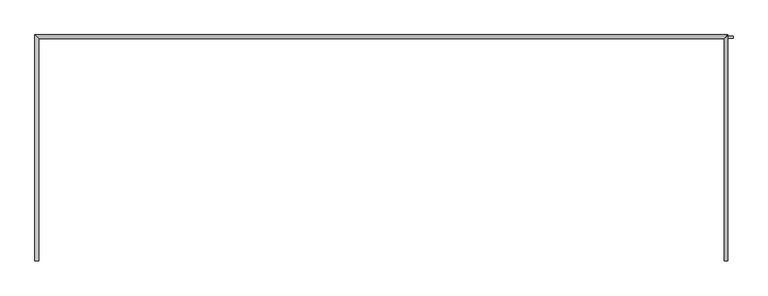
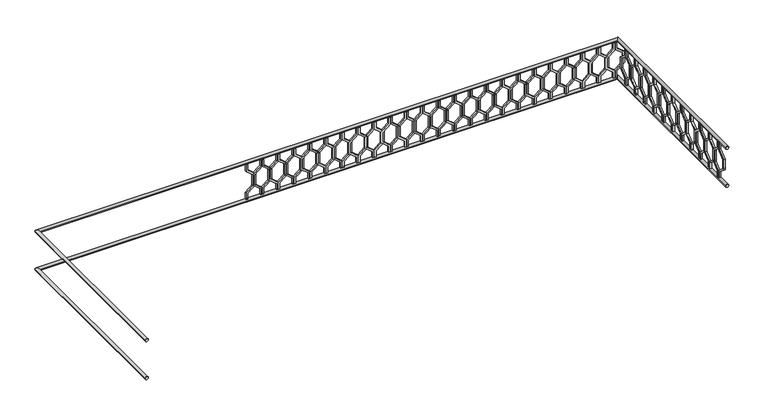
"""IFC4 building model written with IfcOpenShell, lengths in millimetres: railing geometry."""

from ifc_helpers import new_model, si_unit, frame, origin, place, context, project, spatial, polyline, circle_curve, ellipse_curve, outline, extrude, source, transform, mapped, element, save
from ifc_brep_helpers import plane_surface, cylinder_surface, advanced_brep


def railing_8e664fc3(model_context):
    return source(origin(), model_context, "Body", "SolidModel", [
        advanced_brep(
        [(42360.0112841, 903.1079487, 28680.0), (42320.0112841, 903.1079487, 28680.0), (42320.0112841, 3283.1079487, 28680.0), (42360.0112841, 3243.1079487, 28680.0), (49600.0112841, 3283.1079487, 28680.0), (49560.0112841, 3243.1079487, 28680.0), (49560.0112841, 903.1079487, 28680.0), (49600.0112841, 903.1079487, 28680.0)],
        [
            (0, 1, circle_curve(frame((42340.0112841, 903.1079487, 28680.0), z_axis=(0.0, -1.0, 0.0), x_axis=(-1.0, 0.0, 0.0)), 20.0)),
            (1, 0, circle_curve(frame((42340.0112841, 903.1079487, 28680.0), z_axis=(0.0, -1.0, 0.0), x_axis=(-1.0, 0.0, 0.0)), 20.0)),
            (1, 2),
            (2, 3, ellipse_curve(frame((42340.0112841, 3263.1079487, 28680.0), z_axis=(-0.7071067811865475, -0.7071067811865476, 0.0), x_axis=(0.7071067811865476, -0.7071067811865475, 0.0)), 28.2842712, 20.0)),
            (3, 0),
            (3, 2, ellipse_curve(frame((42340.0112841, 3263.1079487, 28680.0), z_axis=(-0.7071067811865475, -0.7071067811865476, 0.0), x_axis=(0.7071067811865476, -0.7071067811865475, 0.0)), 28.2842712, 20.0)),
            (2, 4),
            (4, 5, ellipse_curve(frame((49580.0112841, 3263.1079487, 28680.0), z_axis=(-0.7071067811865481, 0.7071067811865469, 0.0), x_axis=(-0.7071067811865469, -0.7071067811865481, 0.0)), 28.2842712, 20.0)),
            (5, 3),
            (5, 4, ellipse_curve(frame((49580.0112841, 3263.1079487, 28680.0), z_axis=(-0.7071067811865481, 0.7071067811865469, 0.0), x_axis=(-0.7071067811865469, -0.7071067811865481, 0.0)), 28.2842712, 20.0)),
            (6, 7, circle_curve(frame((49580.0112841, 903.1079487, 28680.0), z_axis=(0.0, -1.0, 0.0), x_axis=(1.0, 0.0, 0.0)), 20.0)),
            (7, 6, circle_curve(frame((49580.0112841, 903.1079487, 28680.0), z_axis=(0.0, -1.0, 0.0), x_axis=(1.0, 0.0, 0.0)), 20.0)),
            (4, 7),
            (6, 5),
        ],
        [
            plane_surface(frame((42340.0112841, 903.1079487, 28700.0), z_axis=(0.0, -1.0, 0.0), x_axis=(0.0, 0.0, 1.0))),
            cylinder_surface(frame((42340.0112841, 903.1079487, 28680.0), z_axis=(0.0, -1.0, 0.0), x_axis=(-1.0, 0.0, 0.0)), 20.0),
            cylinder_surface(frame((42340.0112841, 3263.1079487, 28680.0), z_axis=(-1.0, 0.0, 0.0), x_axis=(0.0, 1.0, 0.0)), 20.0),
            plane_surface(frame((49580.0112841, 903.1079487, 28700.0), z_axis=(0.0, -1.0, 0.0), x_axis=(0.0, 0.0, -1.0))),
            cylinder_surface(frame((49580.0112841, 3263.1079487, 28680.0), z_axis=(0.0, 1.0, 0.0), x_axis=(1.0, 0.0, 0.0)), 20.0),
        ],
        [
            (0, [[1, 2]]),
            (1, [[-2, 3, 4, 5]]),
            (1, [[-1, -5, 6, -3]]),
            (2, [[-4, 7, 8, 9]]),
            (2, [[-6, -9, 10, -7]]),
            (3, [[11, 12]]),
            (4, [[-8, 13, -11, 14]]),
            (4, [[-10, -14, -12, -13]]),
        ],
    ),
        advanced_brep(
        [(42360.0112841, 903.1079487, 28180.0), (42320.0112841, 903.1079487, 28180.0), (42320.0112841, 3283.1079487, 28180.0), (42360.0112841, 3243.1079487, 28180.0), (49600.0112841, 3283.1079487, 28180.0), (49560.0112841, 3243.1079487, 28180.0), (49560.0112841, 903.1079487, 28180.0), (49600.0112841, 903.1079487, 28180.0)],
        [
            (0, 1, circle_curve(frame((42340.0112841, 903.1079487, 28180.0), z_axis=(0.0, -1.0, 0.0), x_axis=(-1.0, 0.0, 0.0)), 20.0)),
            (1, 0, circle_curve(frame((42340.0112841, 903.1079487, 28180.0), z_axis=(0.0, -1.0, 0.0), x_axis=(-1.0, 0.0, 0.0)), 20.0)),
            (1, 2),
            (2, 3, ellipse_curve(frame((42340.0112841, 3263.1079487, 28180.0), z_axis=(-0.7071067811865475, -0.7071067811865476, 0.0), x_axis=(0.7071067811865476, -0.7071067811865475, 0.0)), 28.2842712, 20.0)),
            (3, 0),
            (3, 2, ellipse_curve(frame((42340.0112841, 3263.1079487, 28180.0), z_axis=(-0.7071067811865475, -0.7071067811865476, 0.0), x_axis=(0.7071067811865476, -0.7071067811865475, 0.0)), 28.2842712, 20.0)),
            (2, 4),
            (4, 5, ellipse_curve(frame((49580.0112841, 3263.1079487, 28180.0), z_axis=(-0.7071067811865481, 0.7071067811865469, 0.0), x_axis=(-0.7071067811865469, -0.7071067811865481, 0.0)), 28.2842712, 20.0)),
            (5, 3),
            (5, 4, ellipse_curve(frame((49580.0112841, 3263.1079487, 28180.0), z_axis=(-0.7071067811865481, 0.7071067811865469, 0.0), x_axis=(-0.7071067811865469, -0.7071067811865481, 0.0)), 28.2842712, 20.0)),
            (6, 7, circle_curve(frame((49580.0112841, 903.1079487, 28180.0), z_axis=(0.0, -1.0, 0.0), x_axis=(1.0, 0.0, 0.0)), 20.0)),
            (7, 6, circle_curve(frame((49580.0112841, 903.1079487, 28180.0), z_axis=(0.0, -1.0, 0.0), x_axis=(1.0, 0.0, 0.0)), 20.0)),
            (4, 7),
            (6, 5),
        ],
        [
            plane_surface(frame((42340.0112841, 903.1079487, 28200.0), z_axis=(0.0, -1.0, 0.0), x_axis=(0.0, 0.0, 1.0))),
            cylinder_surface(frame((42340.0112841, 903.1079487, 28180.0), z_axis=(0.0, -1.0, 0.0), x_axis=(-1.0, 0.0, 0.0)), 20.0),
            cylinder_surface(frame((42340.0112841, 3263.1079487, 28180.0), z_axis=(-1.0, 0.0, 0.0), x_axis=(0.0, 1.0, 0.0)), 20.0),
            plane_surface(frame((49580.0112841, 903.1079487, 28200.0), z_axis=(0.0, -1.0, 0.0), x_axis=(0.0, 0.0, -1.0))),
            cylinder_surface(frame((49580.0112841, 3263.1079487, 28180.0), z_axis=(0.0, 1.0, 0.0), x_axis=(1.0, 0.0, 0.0)), 20.0),
        ],
        [
            (0, [[1, 2]]),
            (1, [[-2, 3, 4, 5]]),
            (1, [[-1, -5, 6, -3]]),
            (2, [[-4, 7, 8, 9]]),
            (2, [[-6, -9, 10, -7]]),
            (3, [[11, 12]]),
            (4, [[-8, 13, -11, 14]]),
            (4, [[-10, -14, -12, -13]]),
        ],
    ),
        extrude(outline(polyline([(1068.1079487, 28660.0), (1068.1079487, 28570.448155), (969.1129993, 28490.448155), (969.1129993, 28369.551845), (1068.1079487, 28289.551845), (1068.1079487, 28200.0), (1048.1079487, 28200.0), (1048.1079487, 28280.0), (949.1129993, 28360.0), (949.1129993, 28500.0), (1048.1079487, 28580.0), (1048.1079487, 28660.0), (1068.1079487, 28660.0)])), frame((49565.0112841, 0.0, 0.0), z_axis=(1.0, 0.0, 0.0), x_axis=(0.0, 1.0, 0.0)), (0.0, 0.0, 1.0), 20.0),
        extrude(outline(polyline([(1068.1079487, 28660.0), (1088.1079487, 28660.0), (1088.1079487, 28580.0), (1187.102898, 28500.0), (1187.102898, 28360.0), (1088.1079487, 28280.0), (1088.1079487, 28200.0), (1068.1079487, 28200.0), (1068.1079487, 28289.551845), (1167.102898, 28369.551845), (1167.102898, 28490.448155), (1068.1079487, 28570.448155), (1068.1079487, 28660.0)])), frame((49565.0112841, 0.0, 0.0), z_axis=(1.0, 0.0, 0.0), x_axis=(0.0, 1.0, 0.0)), (0.0, 0.0, 1.0), 20.0),
        extrude(outline(polyline([(1268.1079487, 28660.0), (1268.1079487, 28570.448155), (1169.1129993, 28490.448155), (1169.1129993, 28369.551845), (1268.1079487, 28289.551845), (1268.1079487, 28200.0), (1248.1079487, 28200.0), (1248.1079487, 28280.0), (1149.1129993, 28360.0), (1149.1129993, 28500.0), (1248.1079487, 28580.0), (1248.1079487, 28660.0), (1268.1079487, 28660.0)])), frame((49565.0112841, 0.0, 0.0), z_axis=(1.0, 0.0, 0.0), x_axis=(0.0, 1.0, 0.0)), (0.0, 0.0, 1.0), 20.0),
        extrude(outline(polyline([(1268.1079487, 28660.0), (1288.1079487, 28660.0), (1288.1079487, 28580.0), (1387.102898, 28500.0), (1387.102898, 28360.0), (1288.1079487, 28280.0), (1288.1079487, 28200.0), (1268.1079487, 28200.0), (1268.1079487, 28289.551845), (1367.102898, 28369.551845), (1367.102898, 28490.448155), (1268.1079487, 28570.448155), (1268.1079487, 28660.0)])), frame((49565.0112841, 0.0, 0.0), z_axis=(1.0, 0.0, 0.0), x_axis=(0.0, 1.0, 0.0)), (0.0, 0.0, 1.0), 20.0),
        extrude(outline(polyline([(1468.1079487, 28660.0), (1468.1079487, 28570.448155), (1369.1129993, 28490.448155), (1369.1129993, 28369.551845), (1468.1079487, 28289.551845), (1468.1079487, 28200.0), (1448.1079487, 28200.0), (1448.1079487, 28280.0), (1349.1129993, 28360.0), (1349.1129993, 28500.0), (1448.1079487, 28580.0), (1448.1079487, 28660.0), (1468.1079487, 28660.0)])), frame((49565.0112841, 0.0, 0.0), z_axis=(1.0, 0.0, 0.0), x_axis=(0.0, 1.0, 0.0)), (0.0, 0.0, 1.0), 20.0),
        extrude(outline(polyline([(1468.1079487, 28660.0), (1488.1079487, 28660.0), (1488.1079487, 28580.0), (1587.102898, 28500.0), (1587.102898, 28360.0), (1488.1079487, 28280.0), (1488.1079487, 28200.0), (1468.1079487, 28200.0), (1468.1079487, 28289.551845), (1567.102898, 28369.551845), (1567.102898, 28490.448155), (1468.1079487, 28570.448155), (1468.1079487, 28660.0)])), frame((49565.0112841, 0.0, 0.0), z_axis=(1.0, 0.0, 0.0), x_axis=(0.0, 1.0, 0.0)), (0.0, 0.0, 1.0), 20.0),
        extrude(outline(polyline([(1668.1079487, 28660.0), (1668.1079487, 28570.448155), (1569.1129993, 28490.448155), (1569.1129993, 28369.551845), (1668.1079487, 28289.551845), (1668.1079487, 28200.0), (1648.1079487, 28200.0), (1648.1079487, 28280.0), (1549.1129993, 28360.0), (1549.1129993, 28500.0), (1648.1079487, 28580.0), (1648.1079487, 28660.0), (1668.1079487, 28660.0)])), frame((49565.0112841, 0.0, 0.0), z_axis=(1.0, 0.0, 0.0), x_axis=(0.0, 1.0, 0.0)), (0.0, 0.0, 1.0), 20.0),
        extrude(outline(polyline([(1668.1079487, 28660.0), (1688.1079487, 28660.0), (1688.1079487, 28580.0), (1787.102898, 28500.0), (1787.102898, 28360.0), (1688.1079487, 28280.0), (1688.1079487, 28200.0), (1668.1079487, 28200.0), (1668.1079487, 28289.551845), (1767.102898, 28369.551845), (1767.102898, 28490.448155), (1668.1079487, 28570.448155), (1668.1079487, 28660.0)])), frame((49565.0112841, 0.0, 0.0), z_axis=(1.0, 0.0, 0.0), x_axis=(0.0, 1.0, 0.0)), (0.0, 0.0, 1.0), 20.0),
        extrude(outline(polyline([(1868.1079487, 28660.0), (1868.1079487, 28570.448155), (1769.1129993, 28490.448155), (1769.1129993, 28369.551845), (1868.1079487, 28289.551845), (1868.1079487, 28200.0), (1848.1079487, 28200.0), (1848.1079487, 28280.0), (1749.1129993, 28360.0), (1749.1129993, 28500.0), (1848.1079487, 28580.0), (1848.1079487, 28660.0), (1868.1079487, 28660.0)])), frame((49565.0112841, 0.0, 0.0), z_axis=(1.0, 0.0, 0.0), x_axis=(0.0, 1.0, 0.0)), (0.0, 0.0, 1.0), 20.0),
        extrude(outline(polyline([(1868.1079487, 28660.0), (1888.1079487, 28660.0), (1888.1079487, 28580.0), (1987.102898, 28500.0), (1987.102898, 28360.0), (1888.1079487, 28280.0), (1888.1079487, 28200.0), (1868.1079487, 28200.0), (1868.1079487, 28289.551845), (1967.102898, 28369.551845), (1967.102898, 28490.448155), (1868.1079487, 28570.448155), (1868.1079487, 28660.0)])), frame((49565.0112841, 0.0, 0.0), z_axis=(1.0, 0.0, 0.0), x_axis=(0.0, 1.0, 0.0)), (0.0, 0.0, 1.0), 20.0),
        extrude(outline(polyline([(2068.1079487, 28660.0), (2068.1079487, 28570.448155), (1969.1129993, 28490.448155), (1969.1129993, 28369.551845), (2068.1079487, 28289.551845), (2068.1079487, 28200.0), (2048.1079487, 28200.0), (2048.1079487, 28280.0), (1949.1129993, 28360.0), (1949.1129993, 28500.0), (2048.1079487, 28580.0), (2048.1079487, 28660.0), (2068.1079487, 28660.0)])), frame((49565.0112841, 0.0, 0.0), z_axis=(1.0, 0.0, 0.0), x_axis=(0.0, 1.0, 0.0)), (0.0, 0.0, 1.0), 20.0),
        extrude(outline(polyline([(2068.1079487, 28660.0), (2088.1079487, 28660.0), (2088.1079487, 28580.0), (2187.102898, 28500.0), (2187.102898, 28360.0), (2088.1079487, 28280.0), (2088.1079487, 28200.0), (2068.1079487, 28200.0), (2068.1079487, 28289.551845), (2167.102898, 28369.551845), (2167.102898, 28490.448155), (2068.1079487, 28570.448155), (2068.1079487, 28660.0)])), frame((49565.0112841, 0.0, 0.0), z_axis=(1.0, 0.0, 0.0), x_axis=(0.0, 1.0, 0.0)), (0.0, 0.0, 1.0), 20.0),
        extrude(outline(polyline([(2268.1079487, 28660.0), (2268.1079487, 28570.448155), (2169.1129993, 28490.448155), (2169.1129993, 28369.551845), (2268.1079487, 28289.551845), (2268.1079487, 28200.0), (2248.1079487, 28200.0), (2248.1079487, 28280.0), (2149.1129993, 28360.0), (2149.1129993, 28500.0), (2248.1079487, 28580.0), (2248.1079487, 28660.0), (2268.1079487, 28660.0)])), frame((49565.0112841, 0.0, 0.0), z_axis=(1.0, 0.0, 0.0), x_axis=(0.0, 1.0, 0.0)), (0.0, 0.0, 1.0), 20.0),
        extrude(outline(polyline([(2268.1079487, 28660.0), (2288.1079487, 28660.0), (2288.1079487, 28580.0), (2387.102898, 28500.0), (2387.102898, 28360.0), (2288.1079487, 28280.0), (2288.1079487, 28200.0), (2268.1079487, 28200.0), (2268.1079487, 28289.551845), (2367.102898, 28369.551845), (2367.102898, 28490.448155), (2268.1079487, 28570.448155), (2268.1079487, 28660.0)])), frame((49565.0112841, 0.0, 0.0), z_axis=(1.0, 0.0, 0.0), x_axis=(0.0, 1.0, 0.0)), (0.0, 0.0, 1.0), 20.0),
        extrude(outline(polyline([(2468.1079487, 28660.0), (2468.1079487, 28570.448155), (2369.1129993, 28490.448155), (2369.1129993, 28369.551845), (2468.1079487, 28289.551845), (2468.1079487, 28200.0), (2448.1079487, 28200.0), (2448.1079487, 28280.0), (2349.1129993, 28360.0), (2349.1129993, 28500.0), (2448.1079487, 28580.0), (2448.1079487, 28660.0), (2468.1079487, 28660.0)])), frame((49565.0112841, 0.0, 0.0), z_axis=(1.0, 0.0, 0.0), x_axis=(0.0, 1.0, 0.0)), (0.0, 0.0, 1.0), 20.0),
        extrude(outline(polyline([(2468.1079487, 28660.0), (2488.1079487, 28660.0), (2488.1079487, 28580.0), (2587.102898, 28500.0), (2587.102898, 28360.0), (2488.1079487, 28280.0), (2488.1079487, 28200.0), (2468.1079487, 28200.0), (2468.1079487, 28289.551845), (2567.102898, 28369.551845), (2567.102898, 28490.448155), (2468.1079487, 28570.448155), (2468.1079487, 28660.0)])), frame((49565.0112841, 0.0, 0.0), z_axis=(1.0, 0.0, 0.0), x_axis=(0.0, 1.0, 0.0)), (0.0, 0.0, 1.0), 20.0),
        extrude(outline(polyline([(2668.1079487, 28660.0), (2668.1079487, 28570.448155), (2569.1129993, 28490.448155), (2569.1129993, 28369.551845), (2668.1079487, 28289.551845), (2668.1079487, 28200.0), (2648.1079487, 28200.0), (2648.1079487, 28280.0), (2549.1129993, 28360.0), (2549.1129993, 28500.0), (2648.1079487, 28580.0), (2648.1079487, 28660.0), (2668.1079487, 28660.0)])), frame((49565.0112841, 0.0, 0.0), z_axis=(1.0, 0.0, 0.0), x_axis=(0.0, 1.0, 0.0)), (0.0, 0.0, 1.0), 20.0),
        extrude(outline(polyline([(2668.1079487, 28660.0), (2688.1079487, 28660.0), (2688.1079487, 28580.0), (2787.102898, 28500.0), (2787.102898, 28360.0), (2688.1079487, 28280.0), (2688.1079487, 28200.0), (2668.1079487, 28200.0), (2668.1079487, 28289.551845), (2767.102898, 28369.551845), (2767.102898, 28490.448155), (2668.1079487, 28570.448155), (2668.1079487, 28660.0)])), frame((49565.0112841, 0.0, 0.0), z_axis=(1.0, 0.0, 0.0), x_axis=(0.0, 1.0, 0.0)), (0.0, 0.0, 1.0), 20.0),
        extrude(outline(polyline([(2868.1079487, 28660.0), (2868.1079487, 28570.448155), (2769.1129993, 28490.448155), (2769.1129993, 28369.551845), (2868.1079487, 28289.551845), (2868.1079487, 28200.0), (2848.1079487, 28200.0), (2848.1079487, 28280.0), (2749.1129993, 28360.0), (2749.1129993, 28500.0), (2848.1079487, 28580.0), (2848.1079487, 28660.0), (2868.1079487, 28660.0)])), frame((49565.0112841, 0.0, 0.0), z_axis=(1.0, 0.0, 0.0), x_axis=(0.0, 1.0, 0.0)), (0.0, 0.0, 1.0), 20.0),
        extrude(outline(polyline([(2868.1079487, 28660.0), (2888.1079487, 28660.0), (2888.1079487, 28580.0), (2987.102898, 28500.0), (2987.102898, 28360.0), (2888.1079487, 28280.0), (2888.1079487, 28200.0), (2868.1079487, 28200.0), (2868.1079487, 28289.551845), (2967.102898, 28369.551845), (2967.102898, 28490.448155), (2868.1079487, 28570.448155), (2868.1079487, 28660.0)])), frame((49565.0112841, 0.0, 0.0), z_axis=(1.0, 0.0, 0.0), x_axis=(0.0, 1.0, 0.0)), (0.0, 0.0, 1.0), 20.0),
        extrude(outline(polyline([(3068.1079487, 28660.0), (3068.1079487, 28570.448155), (2969.1129993, 28490.448155), (2969.1129993, 28369.551845), (3068.1079487, 28289.551845), (3068.1079487, 28200.0), (3048.1079487, 28200.0), (3048.1079487, 28280.0), (2949.1129993, 28360.0), (2949.1129993, 28500.0), (3048.1079487, 28580.0), (3048.1079487, 28660.0), (3068.1079487, 28660.0)])), frame((49565.0112841, 0.0, 0.0), z_axis=(1.0, 0.0, 0.0), x_axis=(0.0, 1.0, 0.0)), (0.0, 0.0, 1.0), 20.0),
        extrude(outline(polyline([(3068.1079487, 28660.0), (3088.1079487, 28660.0), (3088.1079487, 28580.0), (3187.102898, 28500.0), (3187.102898, 28360.0), (3088.1079487, 28280.0), (3088.1079487, 28200.0), (3068.1079487, 28200.0), (3068.1079487, 28289.551845), (3167.102898, 28369.551845), (3167.102898, 28490.448155), (3068.1079487, 28570.448155), (3068.1079487, 28660.0)])), frame((49565.0112841, 0.0, 0.0), z_axis=(1.0, 0.0, 0.0), x_axis=(0.0, 1.0, 0.0)), (0.0, 0.0, 1.0), 20.0),
        extrude(outline(polyline([(28660.0, 49535.0112841), (28570.448155, 49535.0112841), (28490.448155, 49634.0062335), (28369.551845, 49634.0062335), (28289.551845, 49535.0112841), (28200.0, 49535.0112841), (28200.0, 49555.0112841), (28280.0, 49555.0112841), (28360.0, 49654.0062335), (28500.0, 49654.0062335), (28580.0, 49555.0112841), (28660.0, 49555.0112841), (28660.0, 49535.0112841)])), frame((0.0, 3248.1079487, 0.0), z_axis=(0.0, 1.0, 0.0), x_axis=(0.0, 0.0, 1.0)), (0.0, 0.0, 1.0), 20.0),
        extrude(outline(polyline([(28660.0, 49535.0112841), (28660.0, 49515.0112841), (28580.0, 49515.0112841), (28500.0, 49416.0163347), (28360.0, 49416.0163347), (28280.0, 49515.0112841), (28200.0, 49515.0112841), (28200.0, 49535.0112841), (28289.551845, 49535.0112841), (28369.551845, 49436.0163347), (28490.448155, 49436.0163347), (28570.448155, 49535.0112841), (28660.0, 49535.0112841)])), frame((0.0, 3248.1079487, 0.0), z_axis=(0.0, 1.0, 0.0), x_axis=(0.0, 0.0, 1.0)), (0.0, 0.0, 1.0), 20.0),
        extrude(outline(polyline([(28660.0, 49335.0112841), (28570.448155, 49335.0112841), (28490.448155, 49434.0062335), (28369.551845, 49434.0062335), (28289.551845, 49335.0112841), (28200.0, 49335.0112841), (28200.0, 49355.0112841), (28280.0, 49355.0112841), (28360.0, 49454.0062335), (28500.0, 49454.0062335), (28580.0, 49355.0112841), (28660.0, 49355.0112841), (28660.0, 49335.0112841)])), frame((0.0, 3248.1079487, 0.0), z_axis=(0.0, 1.0, 0.0), x_axis=(0.0, 0.0, 1.0)), (0.0, 0.0, 1.0), 20.0),
        extrude(outline(polyline([(28660.0, 49335.0112841), (28660.0, 49315.0112841), (28580.0, 49315.0112841), (28500.0, 49216.0163347), (28360.0, 49216.0163347), (28280.0, 49315.0112841), (28200.0, 49315.0112841), (28200.0, 49335.0112841), (28289.551845, 49335.0112841), (28369.551845, 49236.0163347), (28490.448155, 49236.0163347), (28570.448155, 49335.0112841), (28660.0, 49335.0112841)])), frame((0.0, 3248.1079487, 0.0), z_axis=(0.0, 1.0, 0.0), x_axis=(0.0, 0.0, 1.0)), (0.0, 0.0, 1.0), 20.0),
        extrude(outline(polyline([(28660.0, 49135.0112841), (28570.448155, 49135.0112841), (28490.448155, 49234.0062335), (28369.551845, 49234.0062335), (28289.551845, 49135.0112841), (28200.0, 49135.0112841), (28200.0, 49155.0112841), (28280.0, 49155.0112841), (28360.0, 49254.0062335), (28500.0, 49254.0062335), (28580.0, 49155.0112841), (28660.0, 49155.0112841), (28660.0, 49135.0112841)])), frame((0.0, 3248.1079487, 0.0), z_axis=(0.0, 1.0, 0.0), x_axis=(0.0, 0.0, 1.0)), (0.0, 0.0, 1.0), 20.0),
        extrude(outline(polyline([(28660.0, 49135.0112841), (28660.0, 49115.0112841), (28580.0, 49115.0112841), (28500.0, 49016.0163347), (28360.0, 49016.0163347), (28280.0, 49115.0112841), (28200.0, 49115.0112841), (28200.0, 49135.0112841), (28289.551845, 49135.0112841), (28369.551845, 49036.0163347), (28490.448155, 49036.0163347), (28570.448155, 49135.0112841), (28660.0, 49135.0112841)])), frame((0.0, 3248.1079487, 0.0), z_axis=(0.0, 1.0, 0.0), x_axis=(0.0, 0.0, 1.0)), (0.0, 0.0, 1.0), 20.0),
        extrude(outline(polyline([(28660.0, 48935.0112841), (28570.448155, 48935.0112841), (28490.448155, 49034.0062335), (28369.551845, 49034.0062335), (28289.551845, 48935.0112841), (28200.0, 48935.0112841), (28200.0, 48955.0112841), (28280.0, 48955.0112841), (28360.0, 49054.0062335), (28500.0, 49054.0062335), (28580.0, 48955.0112841), (28660.0, 48955.0112841), (28660.0, 48935.0112841)])), frame((0.0, 3248.1079487, 0.0), z_axis=(0.0, 1.0, 0.0), x_axis=(0.0, 0.0, 1.0)), (0.0, 0.0, 1.0), 20.0),
        extrude(outline(polyline([(28660.0, 48935.0112841), (28660.0, 48915.0112841), (28580.0, 48915.0112841), (28500.0, 48816.0163347), (28360.0, 48816.0163347), (28280.0, 48915.0112841), (28200.0, 48915.0112841), (28200.0, 48935.0112841), (28289.551845, 48935.0112841), (28369.551845, 48836.0163347), (28490.448155, 48836.0163347), (28570.448155, 48935.0112841), (28660.0, 48935.0112841)])), frame((0.0, 3248.1079487, 0.0), z_axis=(0.0, 1.0, 0.0), x_axis=(0.0, 0.0, 1.0)), (0.0, 0.0, 1.0), 20.0),
        extrude(outline(polyline([(28660.0, 48735.0112841), (28570.448155, 48735.0112841), (28490.448155, 48834.0062335), (28369.551845, 48834.0062335), (28289.551845, 48735.0112841), (28200.0, 48735.0112841), (28200.0, 48755.0112841), (28280.0, 48755.0112841), (28360.0, 48854.0062335), (28500.0, 48854.0062335), (28580.0, 48755.0112841), (28660.0, 48755.0112841), (28660.0, 48735.0112841)])), frame((0.0, 3248.1079487, 0.0), z_axis=(0.0, 1.0, 0.0), x_axis=(0.0, 0.0, 1.0)), (0.0, 0.0, 1.0), 20.0),
        extrude(outline(polyline([(28660.0, 48735.0112841), (28660.0, 48715.0112841), (28580.0, 48715.0112841), (28500.0, 48616.0163347), (28360.0, 48616.0163347), (28280.0, 48715.0112841), (28200.0, 48715.0112841), (28200.0, 48735.0112841), (28289.551845, 48735.0112841), (28369.551845, 48636.0163347), (28490.448155, 48636.0163347), (28570.448155, 48735.0112841), (28660.0, 48735.0112841)])), frame((0.0, 3248.1079487, 0.0), z_axis=(0.0, 1.0, 0.0), x_axis=(0.0, 0.0, 1.0)), (0.0, 0.0, 1.0), 20.0),
        extrude(outline(polyline([(28660.0, 48535.0112841), (28570.448155, 48535.0112841), (28490.448155, 48634.0062335), (28369.551845, 48634.0062335), (28289.551845, 48535.0112841), (28200.0, 48535.0112841), (28200.0, 48555.0112841), (28280.0, 48555.0112841), (28360.0, 48654.0062335), (28500.0, 48654.0062335), (28580.0, 48555.0112841), (28660.0, 48555.0112841), (28660.0, 48535.0112841)])), frame((0.0, 3248.1079487, 0.0), z_axis=(0.0, 1.0, 0.0), x_axis=(0.0, 0.0, 1.0)), (0.0, 0.0, 1.0), 20.0),
        extrude(outline(polyline([(28660.0, 48535.0112841), (28660.0, 48515.0112841), (28580.0, 48515.0112841), (28500.0, 48416.0163347), (28360.0, 48416.0163347), (28280.0, 48515.0112841), (28200.0, 48515.0112841), (28200.0, 48535.0112841), (28289.551845, 48535.0112841), (28369.551845, 48436.0163347), (28490.448155, 48436.0163347), (28570.448155, 48535.0112841), (28660.0, 48535.0112841)])), frame((0.0, 3248.1079487, 0.0), z_axis=(0.0, 1.0, 0.0), x_axis=(0.0, 0.0, 1.0)), (0.0, 0.0, 1.0), 20.0),
        extrude(outline(polyline([(28660.0, 48335.0112841), (28570.448155, 48335.0112841), (28490.448155, 48434.0062335), (28369.551845, 48434.0062335), (28289.551845, 48335.0112841), (28200.0, 48335.0112841), (28200.0, 48355.0112841), (28280.0, 48355.0112841), (28360.0, 48454.0062335), (28500.0, 48454.0062335), (28580.0, 48355.0112841), (28660.0, 48355.0112841), (28660.0, 48335.0112841)])), frame((0.0, 3248.1079487, 0.0), z_axis=(0.0, 1.0, 0.0), x_axis=(0.0, 0.0, 1.0)), (0.0, 0.0, 1.0), 20.0),
        extrude(outline(polyline([(28660.0, 48335.0112841), (28660.0, 48315.0112841), (28580.0, 48315.0112841), (28500.0, 48216.0163347), (28360.0, 48216.0163347), (28280.0, 48315.0112841), (28200.0, 48315.0112841), (28200.0, 48335.0112841), (28289.551845, 48335.0112841), (28369.551845, 48236.0163347), (28490.448155, 48236.0163347), (28570.448155, 48335.0112841), (28660.0, 48335.0112841)])), frame((0.0, 3248.1079487, 0.0), z_axis=(0.0, 1.0, 0.0), x_axis=(0.0, 0.0, 1.0)), (0.0, 0.0, 1.0), 20.0),
        extrude(outline(polyline([(28660.0, 48135.0112841), (28570.448155, 48135.0112841), (28490.448155, 48234.0062335), (28369.551845, 48234.0062335), (28289.551845, 48135.0112841), (28200.0, 48135.0112841), (28200.0, 48155.0112841), (28280.0, 48155.0112841), (28360.0, 48254.0062335), (28500.0, 48254.0062335), (28580.0, 48155.0112841), (28660.0, 48155.0112841), (28660.0, 48135.0112841)])), frame((0.0, 3248.1079487, 0.0), z_axis=(0.0, 1.0, 0.0), x_axis=(0.0, 0.0, 1.0)), (0.0, 0.0, 1.0), 20.0),
        extrude(outline(polyline([(28660.0, 48135.0112841), (28660.0, 48115.0112841), (28580.0, 48115.0112841), (28500.0, 48016.0163347), (28360.0, 48016.0163347), (28280.0, 48115.0112841), (28200.0, 48115.0112841), (28200.0, 48135.0112841), (28289.551845, 48135.0112841), (28369.551845, 48036.0163347), (28490.448155, 48036.0163347), (28570.448155, 48135.0112841), (28660.0, 48135.0112841)])), frame((0.0, 3248.1079487, 0.0), z_axis=(0.0, 1.0, 0.0), x_axis=(0.0, 0.0, 1.0)), (0.0, 0.0, 1.0), 20.0),
        extrude(outline(polyline([(28660.0, 47935.0112841), (28570.448155, 47935.0112841), (28490.448155, 48034.0062335), (28369.551845, 48034.0062335), (28289.551845, 47935.0112841), (28200.0, 47935.0112841), (28200.0, 47955.0112841), (28280.0, 47955.0112841), (28360.0, 48054.0062335), (28500.0, 48054.0062335), (28580.0, 47955.0112841), (28660.0, 47955.0112841), (28660.0, 47935.0112841)])), frame((0.0, 3248.1079487, 0.0), z_axis=(0.0, 1.0, 0.0), x_axis=(0.0, 0.0, 1.0)), (0.0, 0.0, 1.0), 20.0),
        extrude(outline(polyline([(28660.0, 47935.0112841), (28660.0, 47915.0112841), (28580.0, 47915.0112841), (28500.0, 47816.0163347), (28360.0, 47816.0163347), (28280.0, 47915.0112841), (28200.0, 47915.0112841), (28200.0, 47935.0112841), (28289.551845, 47935.0112841), (28369.551845, 47836.0163347), (28490.448155, 47836.0163347), (28570.448155, 47935.0112841), (28660.0, 47935.0112841)])), frame((0.0, 3248.1079487, 0.0), z_axis=(0.0, 1.0, 0.0), x_axis=(0.0, 0.0, 1.0)), (0.0, 0.0, 1.0), 20.0),
        extrude(outline(polyline([(28660.0, 47735.0112841), (28570.448155, 47735.0112841), (28490.448155, 47834.0062335), (28369.551845, 47834.0062335), (28289.551845, 47735.0112841), (28200.0, 47735.0112841), (28200.0, 47755.0112841), (28280.0, 47755.0112841), (28360.0, 47854.0062335), (28500.0, 47854.0062335), (28580.0, 47755.0112841), (28660.0, 47755.0112841), (28660.0, 47735.0112841)])), frame((0.0, 3248.1079487, 0.0), z_axis=(0.0, 1.0, 0.0), x_axis=(0.0, 0.0, 1.0)), (0.0, 0.0, 1.0), 20.0),
        extrude(outline(polyline([(28660.0, 47735.0112841), (28660.0, 47715.0112841), (28580.0, 47715.0112841), (28500.0, 47616.0163347), (28360.0, 47616.0163347), (28280.0, 47715.0112841), (28200.0, 47715.0112841), (28200.0, 47735.0112841), (28289.551845, 47735.0112841), (28369.551845, 47636.0163347), (28490.448155, 47636.0163347), (28570.448155, 47735.0112841), (28660.0, 47735.0112841)])), frame((0.0, 3248.1079487, 0.0), z_axis=(0.0, 1.0, 0.0), x_axis=(0.0, 0.0, 1.0)), (0.0, 0.0, 1.0), 20.0),
        extrude(outline(polyline([(28660.0, 47535.0112841), (28570.448155, 47535.0112841), (28490.448155, 47634.0062335), (28369.551845, 47634.0062335), (28289.551845, 47535.0112841), (28200.0, 47535.0112841), (28200.0, 47555.0112841), (28280.0, 47555.0112841), (28360.0, 47654.0062335), (28500.0, 47654.0062335), (28580.0, 47555.0112841), (28660.0, 47555.0112841), (28660.0, 47535.0112841)])), frame((0.0, 3248.1079487, 0.0), z_axis=(0.0, 1.0, 0.0), x_axis=(0.0, 0.0, 1.0)), (0.0, 0.0, 1.0), 20.0),
        extrude(outline(polyline([(28660.0, 47535.0112841), (28660.0, 47515.0112841), (28580.0, 47515.0112841), (28500.0, 47416.0163347), (28360.0, 47416.0163347), (28280.0, 47515.0112841), (28200.0, 47515.0112841), (28200.0, 47535.0112841), (28289.551845, 47535.0112841), (28369.551845, 47436.0163347), (28490.448155, 47436.0163347), (28570.448155, 47535.0112841), (28660.0, 47535.0112841)])), frame((0.0, 3248.1079487, 0.0), z_axis=(0.0, 1.0, 0.0), x_axis=(0.0, 0.0, 1.0)), (0.0, 0.0, 1.0), 20.0),
        extrude(outline(polyline([(28660.0, 47335.0112841), (28570.448155, 47335.0112841), (28490.448155, 47434.0062335), (28369.551845, 47434.0062335), (28289.551845, 47335.0112841), (28200.0, 47335.0112841), (28200.0, 47355.0112841), (28280.0, 47355.0112841), (28360.0, 47454.0062335), (28500.0, 47454.0062335), (28580.0, 47355.0112841), (28660.0, 47355.0112841), (28660.0, 47335.0112841)])), frame((0.0, 3248.1079487, 0.0), z_axis=(0.0, 1.0, 0.0), x_axis=(0.0, 0.0, 1.0)), (0.0, 0.0, 1.0), 20.0),
        extrude(outline(polyline([(28660.0, 47335.0112841), (28660.0, 47315.0112841), (28580.0, 47315.0112841), (28500.0, 47216.0163347), (28360.0, 47216.0163347), (28280.0, 47315.0112841), (28200.0, 47315.0112841), (28200.0, 47335.0112841), (28289.551845, 47335.0112841), (28369.551845, 47236.0163347), (28490.448155, 47236.0163347), (28570.448155, 47335.0112841), (28660.0, 47335.0112841)])), frame((0.0, 3248.1079487, 0.0), z_axis=(0.0, 1.0, 0.0), x_axis=(0.0, 0.0, 1.0)), (0.0, 0.0, 1.0), 20.0),
        extrude(outline(polyline([(28660.0, 47135.0112841), (28570.448155, 47135.0112841), (28490.448155, 47234.0062335), (28369.551845, 47234.0062335), (28289.551845, 47135.0112841), (28200.0, 47135.0112841), (28200.0, 47155.0112841), (28280.0, 47155.0112841), (28360.0, 47254.0062335), (28500.0, 47254.0062335), (28580.0, 47155.0112841), (28660.0, 47155.0112841), (28660.0, 47135.0112841)])), frame((0.0, 3248.1079487, 0.0), z_axis=(0.0, 1.0, 0.0), x_axis=(0.0, 0.0, 1.0)), (0.0, 0.0, 1.0), 20.0),
        extrude(outline(polyline([(28660.0, 47135.0112841), (28660.0, 47115.0112841), (28580.0, 47115.0112841), (28500.0, 47016.0163347), (28360.0, 47016.0163347), (28280.0, 47115.0112841), (28200.0, 47115.0112841), (28200.0, 47135.0112841), (28289.551845, 47135.0112841), (28369.551845, 47036.0163347), (28490.448155, 47036.0163347), (28570.448155, 47135.0112841), (28660.0, 47135.0112841)])), frame((0.0, 3248.1079487, 0.0), z_axis=(0.0, 1.0, 0.0), x_axis=(0.0, 0.0, 1.0)), (0.0, 0.0, 1.0), 20.0),
        extrude(outline(polyline([(28660.0, 46935.0112841), (28570.448155, 46935.0112841), (28490.448155, 47034.0062335), (28369.551845, 47034.0062335), (28289.551845, 46935.0112841), (28200.0, 46935.0112841), (28200.0, 46955.0112841), (28280.0, 46955.0112841), (28360.0, 47054.0062335), (28500.0, 47054.0062335), (28580.0, 46955.0112841), (28660.0, 46955.0112841), (28660.0, 46935.0112841)])), frame((0.0, 3248.1079487, 0.0), z_axis=(0.0, 1.0, 0.0), x_axis=(0.0, 0.0, 1.0)), (0.0, 0.0, 1.0), 20.0),
        extrude(outline(polyline([(28660.0, 46935.0112841), (28660.0, 46915.0112841), (28580.0, 46915.0112841), (28500.0, 46816.0163347), (28360.0, 46816.0163347), (28280.0, 46915.0112841), (28200.0, 46915.0112841), (28200.0, 46935.0112841), (28289.551845, 46935.0112841), (28369.551845, 46836.0163347), (28490.448155, 46836.0163347), (28570.448155, 46935.0112841), (28660.0, 46935.0112841)])), frame((0.0, 3248.1079487, 0.0), z_axis=(0.0, 1.0, 0.0), x_axis=(0.0, 0.0, 1.0)), (0.0, 0.0, 1.0), 20.0),
        extrude(outline(polyline([(28660.0, 46735.0112841), (28570.448155, 46735.0112841), (28490.448155, 46834.0062335), (28369.551845, 46834.0062335), (28289.551845, 46735.0112841), (28200.0, 46735.0112841), (28200.0, 46755.0112841), (28280.0, 46755.0112841), (28360.0, 46854.0062335), (28500.0, 46854.0062335), (28580.0, 46755.0112841), (28660.0, 46755.0112841), (28660.0, 46735.0112841)])), frame((0.0, 3248.1079487, 0.0), z_axis=(0.0, 1.0, 0.0), x_axis=(0.0, 0.0, 1.0)), (0.0, 0.0, 1.0), 20.0),
        extrude(outline(polyline([(28660.0, 46735.0112841), (28660.0, 46715.0112841), (28580.0, 46715.0112841), (28500.0, 46616.0163347), (28360.0, 46616.0163347), (28280.0, 46715.0112841), (28200.0, 46715.0112841), (28200.0, 46735.0112841), (28289.551845, 46735.0112841), (28369.551845, 46636.0163347), (28490.448155, 46636.0163347), (28570.448155, 46735.0112841), (28660.0, 46735.0112841)])), frame((0.0, 3248.1079487, 0.0), z_axis=(0.0, 1.0, 0.0), x_axis=(0.0, 0.0, 1.0)), (0.0, 0.0, 1.0), 20.0),
        extrude(outline(polyline([(28660.0, 46535.0112841), (28570.448155, 46535.0112841), (28490.448155, 46634.0062335), (28369.551845, 46634.0062335), (28289.551845, 46535.0112841), (28200.0, 46535.0112841), (28200.0, 46555.0112841), (28280.0, 46555.0112841), (28360.0, 46654.0062335), (28500.0, 46654.0062335), (28580.0, 46555.0112841), (28660.0, 46555.0112841), (28660.0, 46535.0112841)])), frame((0.0, 3248.1079487, 0.0), z_axis=(0.0, 1.0, 0.0), x_axis=(0.0, 0.0, 1.0)), (0.0, 0.0, 1.0), 20.0),
        extrude(outline(polyline([(28660.0, 46535.0112841), (28660.0, 46515.0112841), (28580.0, 46515.0112841), (28500.0, 46416.0163347), (28360.0, 46416.0163347), (28280.0, 46515.0112841), (28200.0, 46515.0112841), (28200.0, 46535.0112841), (28289.551845, 46535.0112841), (28369.551845, 46436.0163347), (28490.448155, 46436.0163347), (28570.448155, 46535.0112841), (28660.0, 46535.0112841)])), frame((0.0, 3248.1079487, 0.0), z_axis=(0.0, 1.0, 0.0), x_axis=(0.0, 0.0, 1.0)), (0.0, 0.0, 1.0), 20.0),
        extrude(outline(polyline([(28660.0, 46335.0112841), (28570.448155, 46335.0112841), (28490.448155, 46434.0062335), (28369.551845, 46434.0062335), (28289.551845, 46335.0112841), (28200.0, 46335.0112841), (28200.0, 46355.0112841), (28280.0, 46355.0112841), (28360.0, 46454.0062335), (28500.0, 46454.0062335), (28580.0, 46355.0112841), (28660.0, 46355.0112841), (28660.0, 46335.0112841)])), frame((0.0, 3248.1079487, 0.0), z_axis=(0.0, 1.0, 0.0), x_axis=(0.0, 0.0, 1.0)), (0.0, 0.0, 1.0), 20.0),
        extrude(outline(polyline([(28660.0, 46335.0112841), (28660.0, 46315.0112841), (28580.0, 46315.0112841), (28500.0, 46216.0163347), (28360.0, 46216.0163347), (28280.0, 46315.0112841), (28200.0, 46315.0112841), (28200.0, 46335.0112841), (28289.551845, 46335.0112841), (28369.551845, 46236.0163347), (28490.448155, 46236.0163347), (28570.448155, 46335.0112841), (28660.0, 46335.0112841)])), frame((0.0, 3248.1079487, 0.0), z_axis=(0.0, 1.0, 0.0), x_axis=(0.0, 0.0, 1.0)), (0.0, 0.0, 1.0), 20.0),
        extrude(outline(polyline([(28660.0, 46135.0112841), (28570.448155, 46135.0112841), (28490.448155, 46234.0062335), (28369.551845, 46234.0062335), (28289.551845, 46135.0112841), (28200.0, 46135.0112841), (28200.0, 46155.0112841), (28280.0, 46155.0112841), (28360.0, 46254.0062335), (28500.0, 46254.0062335), (28580.0, 46155.0112841), (28660.0, 46155.0112841), (28660.0, 46135.0112841)])), frame((0.0, 3248.1079487, 0.0), z_axis=(0.0, 1.0, 0.0), x_axis=(0.0, 0.0, 1.0)), (0.0, 0.0, 1.0), 20.0),
        extrude(outline(polyline([(28660.0, 46135.0112841), (28660.0, 46115.0112841), (28580.0, 46115.0112841), (28500.0, 46016.0163347), (28360.0, 46016.0163347), (28280.0, 46115.0112841), (28200.0, 46115.0112841), (28200.0, 46135.0112841), (28289.551845, 46135.0112841), (28369.551845, 46036.0163347), (28490.448155, 46036.0163347), (28570.448155, 46135.0112841), (28660.0, 46135.0112841)])), frame((0.0, 3248.1079487, 0.0), z_axis=(0.0, 1.0, 0.0), x_axis=(0.0, 0.0, 1.0)), (0.0, 0.0, 1.0), 20.0),
        extrude(outline(polyline([(28660.0, 45935.0112841), (28570.448155, 45935.0112841), (28490.448155, 46034.0062335), (28369.551845, 46034.0062335), (28289.551845, 45935.0112841), (28200.0, 45935.0112841), (28200.0, 45955.0112841), (28280.0, 45955.0112841), (28360.0, 46054.0062335), (28500.0, 46054.0062335), (28580.0, 45955.0112841), (28660.0, 45955.0112841), (28660.0, 45935.0112841)])), frame((0.0, 3248.1079487, 0.0), z_axis=(0.0, 1.0, 0.0), x_axis=(0.0, 0.0, 1.0)), (0.0, 0.0, 1.0), 20.0),
        extrude(outline(polyline([(28660.0, 45935.0112841), (28660.0, 45915.0112841), (28580.0, 45915.0112841), (28500.0, 45816.0163347), (28360.0, 45816.0163347), (28280.0, 45915.0112841), (28200.0, 45915.0112841), (28200.0, 45935.0112841), (28289.551845, 45935.0112841), (28369.551845, 45836.0163347), (28490.448155, 45836.0163347), (28570.448155, 45935.0112841), (28660.0, 45935.0112841)])), frame((0.0, 3248.1079487, 0.0), z_axis=(0.0, 1.0, 0.0), x_axis=(0.0, 0.0, 1.0)), (0.0, 0.0, 1.0), 20.0),
        extrude(outline(polyline([(28660.0, 45735.0112841), (28570.448155, 45735.0112841), (28490.448155, 45834.0062335), (28369.551845, 45834.0062335), (28289.551845, 45735.0112841), (28200.0, 45735.0112841), (28200.0, 45755.0112841), (28280.0, 45755.0112841), (28360.0, 45854.0062335), (28500.0, 45854.0062335), (28580.0, 45755.0112841), (28660.0, 45755.0112841), (28660.0, 45735.0112841)])), frame((0.0, 3248.1079487, 0.0), z_axis=(0.0, 1.0, 0.0), x_axis=(0.0, 0.0, 1.0)), (0.0, 0.0, 1.0), 20.0),
        extrude(outline(polyline([(28660.0, 45735.0112841), (28660.0, 45715.0112841), (28580.0, 45715.0112841), (28500.0, 45616.0163347), (28360.0, 45616.0163347), (28280.0, 45715.0112841), (28200.0, 45715.0112841), (28200.0, 45735.0112841), (28289.551845, 45735.0112841), (28369.551845, 45636.0163347), (28490.448155, 45636.0163347), (28570.448155, 45735.0112841), (28660.0, 45735.0112841)])), frame((0.0, 3248.1079487, 0.0), z_axis=(0.0, 1.0, 0.0), x_axis=(0.0, 0.0, 1.0)), (0.0, 0.0, 1.0), 20.0),
        extrude(outline(polyline([(28660.0, 45535.0112841), (28570.448155, 45535.0112841), (28490.448155, 45634.0062335), (28369.551845, 45634.0062335), (28289.551845, 45535.0112841), (28200.0, 45535.0112841), (28200.0, 45555.0112841), (28280.0, 45555.0112841), (28360.0, 45654.0062335), (28500.0, 45654.0062335), (28580.0, 45555.0112841), (28660.0, 45555.0112841), (28660.0, 45535.0112841)])), frame((0.0, 3248.1079487, 0.0), z_axis=(0.0, 1.0, 0.0), x_axis=(0.0, 0.0, 1.0)), (0.0, 0.0, 1.0), 20.0),
        extrude(outline(polyline([(28660.0, 45535.0112841), (28660.0, 45515.0112841), (28580.0, 45515.0112841), (28500.0, 45416.0163347), (28360.0, 45416.0163347), (28280.0, 45515.0112841), (28200.0, 45515.0112841), (28200.0, 45535.0112841), (28289.551845, 45535.0112841), (28369.551845, 45436.0163347), (28490.448155, 45436.0163347), (28570.448155, 45535.0112841), (28660.0, 45535.0112841)])), frame((0.0, 3248.1079487, 0.0), z_axis=(0.0, 1.0, 0.0), x_axis=(0.0, 0.0, 1.0)), (0.0, 0.0, 1.0), 20.0),
        extrude(outline(polyline([(28660.0, 45335.0112841), (28570.448155, 45335.0112841), (28490.448155, 45434.0062335), (28369.551845, 45434.0062335), (28289.551845, 45335.0112841), (28200.0, 45335.0112841), (28200.0, 45355.0112841), (28280.0, 45355.0112841), (28360.0, 45454.0062335), (28500.0, 45454.0062335), (28580.0, 45355.0112841), (28660.0, 45355.0112841), (28660.0, 45335.0112841)])), frame((0.0, 3248.1079487, 0.0), z_axis=(0.0, 1.0, 0.0), x_axis=(0.0, 0.0, 1.0)), (0.0, 0.0, 1.0), 20.0),
        extrude(outline(polyline([(28660.0, 45335.0112841), (28660.0, 45315.0112841), (28580.0, 45315.0112841), (28500.0, 45216.0163347), (28360.0, 45216.0163347), (28280.0, 45315.0112841), (28200.0, 45315.0112841), (28200.0, 45335.0112841), (28289.551845, 45335.0112841), (28369.551845, 45236.0163347), (28490.448155, 45236.0163347), (28570.448155, 45335.0112841), (28660.0, 45335.0112841)])), frame((0.0, 3248.1079487, 0.0), z_axis=(0.0, 1.0, 0.0), x_axis=(0.0, 0.0, 1.0)), (0.0, 0.0, 1.0), 20.0),
        extrude(outline(polyline([(28660.0, 45135.0112841), (28570.448155, 45135.0112841), (28490.448155, 45234.0062335), (28369.551845, 45234.0062335), (28289.551845, 45135.0112841), (28200.0, 45135.0112841), (28200.0, 45155.0112841), (28280.0, 45155.0112841), (28360.0, 45254.0062335), (28500.0, 45254.0062335), (28580.0, 45155.0112841), (28660.0, 45155.0112841), (28660.0, 45135.0112841)])), frame((0.0, 3248.1079487, 0.0), z_axis=(0.0, 1.0, 0.0), x_axis=(0.0, 0.0, 1.0)), (0.0, 0.0, 1.0), 20.0),
        extrude(outline(polyline([(28660.0, 45135.0112841), (28660.0, 45115.0112841), (28580.0, 45115.0112841), (28500.0, 45016.0163347), (28360.0, 45016.0163347), (28280.0, 45115.0112841), (28200.0, 45115.0112841), (28200.0, 45135.0112841), (28289.551845, 45135.0112841), (28369.551845, 45036.0163347), (28490.448155, 45036.0163347), (28570.448155, 45135.0112841), (28660.0, 45135.0112841)])), frame((0.0, 3248.1079487, 0.0), z_axis=(0.0, 1.0, 0.0), x_axis=(0.0, 0.0, 1.0)), (0.0, 0.0, 1.0), 20.0),
        extrude(outline(polyline([(28660.0, 44935.0112841), (28570.448155, 44935.0112841), (28490.448155, 45034.0062335), (28369.551845, 45034.0062335), (28289.551845, 44935.0112841), (28200.0, 44935.0112841), (28200.0, 44955.0112841), (28280.0, 44955.0112841), (28360.0, 45054.0062335), (28500.0, 45054.0062335), (28580.0, 44955.0112841), (28660.0, 44955.0112841), (28660.0, 44935.0112841)])), frame((0.0, 3248.1079487, 0.0), z_axis=(0.0, 1.0, 0.0), x_axis=(0.0, 0.0, 1.0)), (0.0, 0.0, 1.0), 20.0),
    ])


if __name__ == "__main__":
    model = new_model("IFC4")
    model_context = context("Model", 3, world=origin())
    ifc_project = project(units=[si_unit("LENGTHUNIT", "METRE", prefix="MILLI")], contexts=[model_context])
    site = spatial("IfcSite", under=ifc_project)
    building = spatial("IfcBuilding", under=site)
    placement = place(None, origin())
    railing_shape = railing_8e664fc3(model_context)
    element("IfcRailing", 1, at=placement, inside=building, context=model_context, shape_type="MappedRepresentation", body=[
        mapped(railing_shape, transform((0.0, 0.0, 0.0), x_axis=(1.0, 0.0, 0.0), y_axis=(0.0, 1.0, 0.0), z_axis=(0.0, 0.0, 1.0))),
    ])
    save(model, "model.ifc")
